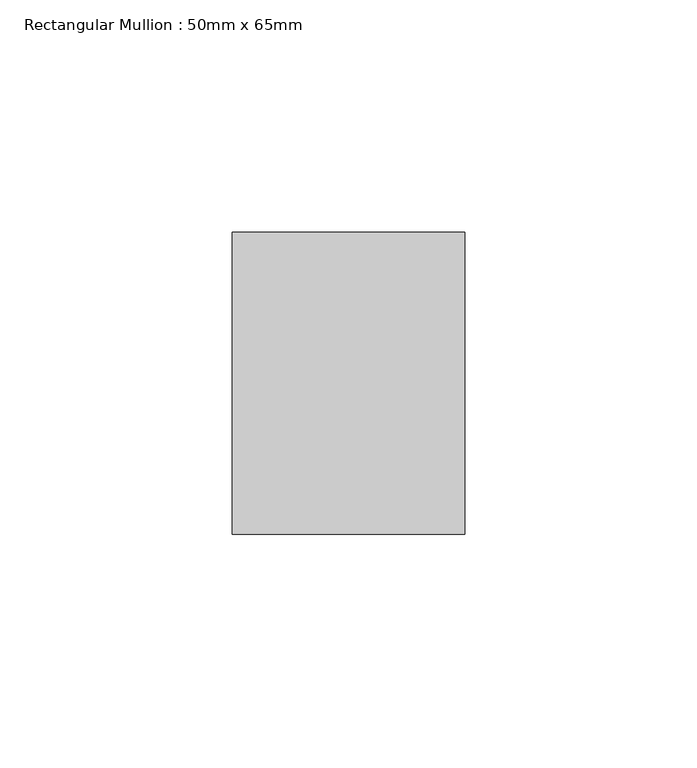
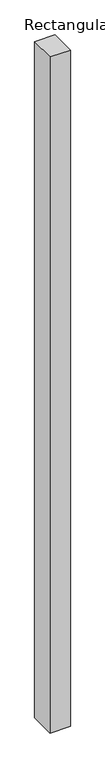
"""IFC4 building model written with IfcOpenShell, lengths in millimetres: member geometry, Rectangular Mullion : 50mm x 65mm."""

from ifc_helpers import new_model, si_unit, frame, origin, place, context, project, spatial, polyline, outline, extrude, source, transform, mapped, element, save


def rectangular_mullion_50mm_x_65mm_ad2699d5(model_context):
    return source(origin(), model_context, "Body", "SweptSolid", [
        extrude(outline(polyline([(25.0, 32.5), (25.0, -32.5), (-25.0, -32.5), (-25.0, 32.5), (25.0, 32.5)])), frame((0.0, 0.0, -1754.4954698), z_axis=(0.0, 0.0, 1.0), x_axis=(1.0, 0.0, 0.0)), (0.0, 0.0, 1.0), 1754.4954698),
    ])


if __name__ == "__main__":
    model = new_model("IFC4")
    model_context = context("Model", 3, world=origin())
    ifc_project = project(units=[si_unit("LENGTHUNIT", "METRE", prefix="MILLI")], contexts=[model_context])
    site = spatial("IfcSite", under=ifc_project)
    building = spatial("IfcBuilding", under=site)
    placement = place(None, origin())
    rectangular_mullion_50mm_x_65mm_shape = rectangular_mullion_50mm_x_65mm_ad2699d5(model_context)
    element("IfcMember", 1, ObjectType="Rectangular Mullion : 50mm x 65mm", at=placement, inside=building, context=model_context, shape_type="MappedRepresentation", body=[
        mapped(rectangular_mullion_50mm_x_65mm_shape, transform((0.0, 0.0, 0.0), x_axis=(1.0, 0.0, 0.0), y_axis=(0.0, 1.0, 0.0), z_axis=(0.0, 0.0, 1.0))),
    ])
    save(model, "model.ifc")
